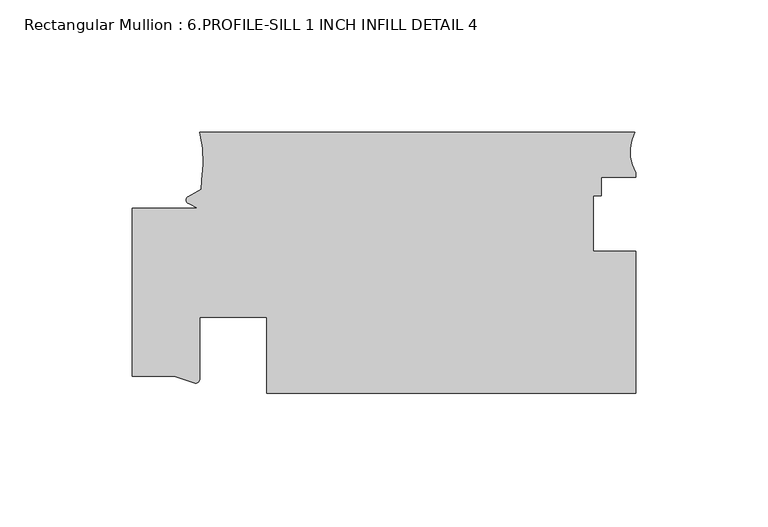
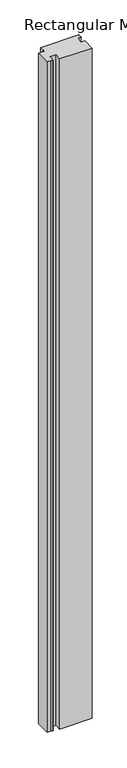
"""IFC4 building model written with IfcOpenShell, lengths in millimetres: member geometry, Rectangular Mullion : 6.PROFILE-SILL 1 INCH INFILL DETAIL 4."""

from ifc_helpers import new_model, si_unit, point, frame, frame_2d, origin, place, context, project, spatial, polyline, circle_curve, trimmed, segment, composite_curve, outline, extrude, source, transform, mapped, element, save


def rectangular_mullion_6_profile_sill_1_inch_infill_detail_4_5e595e24(model_context):
    return source(origin(), model_context, "Body", "SweptSolid", [
        extrude(outline(composite_curve([segment(polyline([(0.0, -59.9650497), (-139.1915475, -59.9650497), (-139.1921293, -31.3901629), (-164.5919944, -31.3901629), (-164.5919944, -54.6477996)]), True, "CONTINUOUS"), segment(trimmed(circle_curve(frame_2d((-166.293412, -54.566287)), 1.703369), [point((-164.5919944, -54.6477996))], [point((-166.1804292, -56.2659049))], False, "CARTESIAN"), True, "CONTINUOUS"), segment(polyline([(-166.1804292, -56.2659049), (-174.1170977, -53.6150497), (-189.992, -53.6150497), (-189.992, 9.8849503), (-165.3994238, 9.8849503), (-168.8755101, 11.6634959)]), True, "CONTINUOUS"), segment(trimmed(circle_curve(frame_2d((-168.3355965, 12.9519454)), 1.397), [point((-168.8755101, 11.6634959))], [point((-168.8755101, 14.240395))], False, "CARTESIAN"), True, "CONTINUOUS"), segment(polyline([(-168.8755101, 14.240395), (-164.0473677, 17.0001224), (-163.8352621, 20.4264518)]), True, "CONTINUOUS"), segment(trimmed(circle_curve(frame_2d((-202.5728025, 27.833539)), 39.4393455), [point((-163.8352621, 20.4264518))], [point((-164.592, 38.4599503))], True, "CARTESIAN"), True, "CONTINUOUS"), segment(polyline([(-164.592, 38.4599503), (-0.381, 38.4599503)]), True, "CONTINUOUS"), segment(trimmed(circle_curve(frame_2d((13.7989391, 31.2272996)), 15.9179744), [point((-0.381, 38.4599503))], [point((0.0, 23.2918608))], True, "CARTESIAN"), True, "CONTINUOUS"), segment(polyline([(0.0, 23.2918608), (0.0, 21.454649), (-13.0437992, 21.454649), (-13.0437992, 14.5966492), (-15.8984045, 14.5966492), (-15.8984045, -6.35), (0.0, -6.35), (0.0, -59.9650497)]), True, "CONTINUOUS")], self_intersect=False)), frame((0.0, 0.0, -3048.0), z_axis=(0.0, 0.0, 1.0), x_axis=(1.0, 0.0, 0.0)), (0.0, 0.0, 1.0), 3048.0),
    ])


if __name__ == "__main__":
    model = new_model("IFC4")
    model_context = context("Model", 3, world=origin())
    ifc_project = project(units=[si_unit("LENGTHUNIT", "METRE", prefix="MILLI")], contexts=[model_context])
    site = spatial("IfcSite", under=ifc_project)
    building = spatial("IfcBuilding", under=site)
    placement = place(None, origin())
    rectangular_mullion_6_profile_sill_1_inch_infill_detail_4_shape = rectangular_mullion_6_profile_sill_1_inch_infill_detail_4_5e595e24(model_context)
    element("IfcMember", 1, ObjectType="Rectangular Mullion : 6.PROFILE-SILL 1 INCH INFILL DETAIL 4", at=placement, inside=building, context=model_context, shape_type="MappedRepresentation", body=[
        mapped(rectangular_mullion_6_profile_sill_1_inch_infill_detail_4_shape, transform((0.0, 0.0, 0.0), x_axis=(1.0, 0.0, 0.0), y_axis=(0.0, 1.0, 0.0), z_axis=(0.0, 0.0, 1.0))),
    ])
    save(model, "model.ifc")
